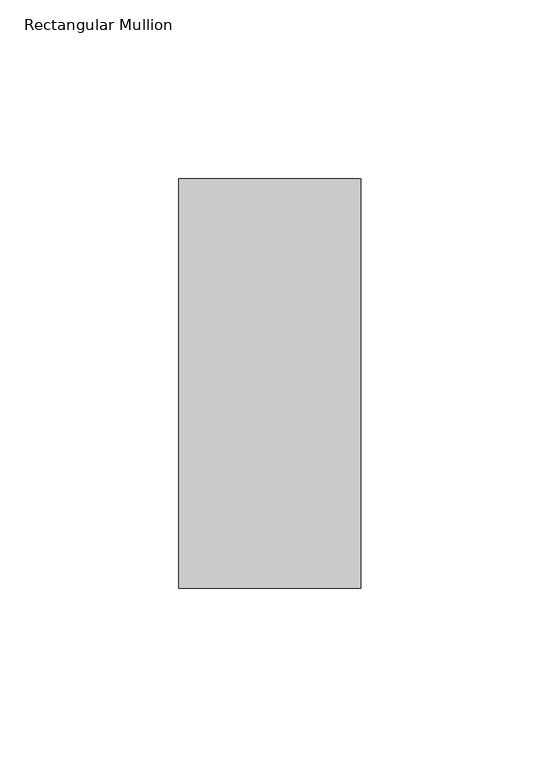
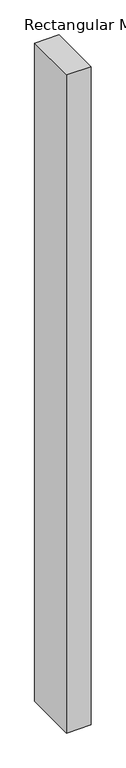
"""IFC4 building model written with IfcOpenShell, lengths in millimetres: member geometry, Rectangular Mullion."""

import ifcopenshell
import ifcopenshell.guid

model = None  # the IFC model being written
_history = None  # IfcOwnerHistory: only IFC2X3 demands one
_inside = {}  # id of a spatial element -> (the spatial element, [elements in it])
_under = {}  # id of a project, library or spatial element -> (it, [spatial elements below it])
_declared = {}  # id of a project -> (the project, [libraries it declares])
_typed = {}  # id of a type object -> (the type object, [elements of that type])
_made_of = {}  # id of a material, layer set ... -> (it, [elements and type objects made of it])


def new_model(schema):
    """Start an empty IFC model of exactly this schema.

    Asked for "IFC4X3", IfcOpenShell would pick the latest addendum, in which some entities
    have other attributes; the version numbers below select the first issue.
    IFC2X3 requires an IfcOwnerHistory on every rooted entity: one is made here for all.
    """
    global model, _history
    if schema == "IFC4X3":
        model = ifcopenshell.file(schema_version=(4, 3, 0, 0))
    else:
        model = ifcopenshell.file(schema=schema)
    _inside.clear()
    _under.clear()
    _declared.clear()
    _typed.clear()
    _made_of.clear()
    _history = None
    if model.schema == "IFC2X3":
        org = make("IfcOrganization", Name="unknown")
        user = make(
            "IfcPersonAndOrganization",
            ThePerson=make("IfcPerson", FamilyName="unknown"),
            TheOrganization=org,
        )
        app = make(
            "IfcApplication",
            ApplicationDeveloper=org,
            Version="unknown",
            ApplicationFullName="unknown",
            ApplicationIdentifier="unknown",
        )
        _history = make(
            "IfcOwnerHistory",
            OwningUser=user,
            OwningApplication=app,
            ChangeAction="ADDED",
            CreationDate=0,
        )
    return model


def make(cls, **values):
    """One entity of the class cls with the attributes given. An attribute that is None is left unset."""
    return model.create_entity(
        cls, **{name: value for name, value in values.items() if value is not None}
    )


def rooted(cls, **values):
    """An entity with a GlobalId (a new one), such as an element, a storey or a relation."""
    return make(cls, GlobalId=ifcopenshell.guid.new(), OwnerHistory=_history, **values)


def si_unit(unit_type, name, prefix=None):
    """IfcSIUnit, for example si_unit("LENGTHUNIT", "METRE", prefix="MILLI")."""
    return make("IfcSIUnit", UnitType=unit_type, Prefix=prefix, Name=name)


def assignment(units):
    """IfcUnitAssignment: the units of a project."""
    return None if units is None else make("IfcUnitAssignment", Units=units)


def point(xyz):
    """IfcCartesianPoint."""
    return None if xyz is None else make("IfcCartesianPoint", Coordinates=xyz)


def direction(xyz):
    """IfcDirection."""
    return None if xyz is None else make("IfcDirection", DirectionRatios=xyz)


def frame(location, z_axis=None, x_axis=None):
    """IfcAxis2Placement3D, a coordinate frame: its origin and axes. An axis left out is left unset."""
    return make(
        "IfcAxis2Placement3D",
        Location=point(location),
        Axis=direction(z_axis),
        RefDirection=direction(x_axis),
    )


def origin():
    """The frame at (0, 0, 0) with its axes left unset."""
    return frame((0.0, 0.0, 0.0))


def place(relative_to, where):
    """IfcLocalPlacement: puts the frame where relative to a parent placement (None: the world)."""
    return make(
        "IfcLocalPlacement", PlacementRelTo=relative_to, RelativePlacement=where
    )


def context(
    kind, dimensions, precision=None, world=None, true_north=None, identifier=None
):
    """IfcGeometricRepresentationContext, for example the 3D "Model" context."""
    return make(
        "IfcGeometricRepresentationContext",
        ContextIdentifier=identifier,
        ContextType=kind,
        CoordinateSpaceDimension=dimensions,
        Precision=precision,
        WorldCoordinateSystem=world,
        TrueNorth=true_north,
    )


def project(units=None, contexts=None):
    """IfcProject with its units and contexts."""
    return rooted(
        "IfcProject",
        Name="project",
        RepresentationContexts=contexts,
        UnitsInContext=assignment(units),
    )


def spatial(cls, under=None, at=None, **own):
    """A site, building, storey or space (cls), placed at a placement, below another one or the project."""
    s = rooted(cls, ObjectPlacement=at, **own)
    if under is not None:
        _under.setdefault(under.id(), (under, []))[1].append(s)
    return s


def polyline(points):
    """IfcPolyline through the points."""
    return make("IfcPolyline", Points=[point(p) for p in points])


def outline(outer, holes=None, kind="AREA"):
    """IfcArbitraryClosedProfileDef: a profile drawn as a closed curve; with holes, ...WithVoids."""
    if holes is None:
        return make("IfcArbitraryClosedProfileDef", ProfileType=kind, OuterCurve=outer)
    return make(
        "IfcArbitraryProfileDefWithVoids",
        ProfileType=kind,
        OuterCurve=outer,
        InnerCurves=holes,
    )


def extrude(swept, where, along, depth):
    """IfcExtrudedAreaSolid: the profile swept, set in the frame where, extruded along a direction by depth."""
    return make(
        "IfcExtrudedAreaSolid",
        SweptArea=swept,
        Position=where,
        ExtrudedDirection=direction(along),
        Depth=depth,
    )


def shape(context_of_items, identifier, shape_type, items):
    """IfcShapeRepresentation: the items that make up one representation, for example the "Body"."""
    return make(
        "IfcShapeRepresentation",
        ContextOfItems=context_of_items,
        RepresentationIdentifier=identifier,
        RepresentationType=shape_type,
        Items=items,
    )


def source(mapping_origin, context_of_items, identifier, shape_type, items):
    """IfcRepresentationMap: a shape defined once, which mapped items show again and again."""
    return make(
        "IfcRepresentationMap",
        MappingOrigin=mapping_origin,
        MappedRepresentation=shape(context_of_items, identifier, shape_type, items),
    )


def transform(
    local_origin,
    x_axis=None,
    y_axis=None,
    z_axis=None,
    scale=None,
    scale2=None,
    scale3=None,
    uniform=True,
):
    """IfcCartesianTransformationOperator3D, or its non-uniform kind. x_axis, y_axis, z_axis: its Axis1, 2, 3."""
    if uniform:
        return make(
            "IfcCartesianTransformationOperator3D",
            Axis1=direction(x_axis),
            Axis2=direction(y_axis),
            LocalOrigin=point(local_origin),
            Scale=scale,
            Axis3=direction(z_axis),
        )
    return make(
        "IfcCartesianTransformationOperator3DnonUniform",
        Axis1=direction(x_axis),
        Axis2=direction(y_axis),
        LocalOrigin=point(local_origin),
        Scale=scale,
        Axis3=direction(z_axis),
        Scale2=scale2,
        Scale3=scale3,
    )


def mapped(mapping_source, mapping_target):
    """IfcMappedItem: shows the shape of a source again, moved by a transform."""
    return make(
        "IfcMappedItem", MappingSource=mapping_source, MappingTarget=mapping_target
    )


def made_of(thing, what):
    """Note that an element or type object is made of a material, layer set ...; save() writes the relation."""
    if what is not None:
        _made_of.setdefault(what.id(), (what, []))[1].append(thing)
    return thing


def element(
    cls,
    number,
    at=None,
    inside=None,
    cuts=None,
    type_object=None,
    material=None,
    context=None,
    identifier="Body",
    shape_type=None,
    held_by="IfcProductDefinitionShape",
    body=None,
    shapes=None,
    **own,
):
    """One element of the class cls, such as IfcWall. Its Tag is "e" and its number.

    at: its placement. inside: the storey or other place that contains it. cuts: it is an
    opening in that element (IfcRelVoidsElement). A single representation is given by context,
    identifier, shape_type and body (its items); several are given by shapes. held_by: the class
    of the entity that holds the representations. save() writes the other relations.
    """
    e = rooted(cls, Tag="e%d" % number, ObjectPlacement=at, **own)
    if body is not None:
        shapes = [shape(context, identifier, shape_type, body)]
    if shapes is not None:
        e.Representation = make(held_by, Representations=shapes)
    if inside is not None:
        _inside.setdefault(inside.id(), (inside, []))[1].append(e)
    if cuts is not None:
        rooted(
            "IfcRelVoidsElement", RelatingBuildingElement=cuts, RelatedOpeningElement=e
        )
    if type_object is not None:
        _typed.setdefault(type_object.id(), (type_object, []))[1].append(e)
    return made_of(e, material)


def aggregate(whole, parts):
    """IfcRelAggregates: a whole, such as a stair, and the parts it consists of."""
    return rooted("IfcRelAggregates", RelatingObject=whole, RelatedObjects=parts)


def save(model, path):
    """Write the relations noted so far, then the file.

    IfcRelAggregates (storeys below a building ...), IfcRelContainedInSpatialStructure (elements
    in a storey), IfcRelDefinesByType, IfcRelAssociatesMaterial and IfcRelDeclares: one each for
    every whole, place, type object, material and project.
    """
    for whole, parts in _under.values():
        aggregate(whole, parts)
    for where, things in _inside.values():
        rooted(
            "IfcRelContainedInSpatialStructure",
            RelatedElements=things,
            RelatingStructure=where,
        )
    for kind, things in _typed.values():
        rooted("IfcRelDefinesByType", RelatedObjects=things, RelatingType=kind)
    for what, things in _made_of.values():
        rooted("IfcRelAssociatesMaterial", RelatedObjects=things, RelatingMaterial=what)
    for by, libraries in _declared.values():
        rooted("IfcRelDeclares", RelatingContext=by, RelatedDefinitions=libraries)
    model.write(path)


def rectangular_mullion_adbf91b8(model_context):
    return source(origin(), model_context, "Body", "SweptSolid", [
        extrude(outline(polyline([(25.4, 57.15), (25.4, -57.15), (-25.4, -57.15), (-25.4, 57.15), (25.4, 57.15)])), frame((0.0, 0.0, -1439.8625), z_axis=(0.0, 0.0, 1.0), x_axis=(1.0, 0.0, 0.0)), (0.0, 0.0, 1.0), 1439.8625),
    ])


if __name__ == "__main__":
    model = new_model("IFC4")
    model_context = context("Model", 3, world=origin())
    ifc_project = project(units=[si_unit("LENGTHUNIT", "METRE", prefix="MILLI")], contexts=[model_context])
    site = spatial("IfcSite", under=ifc_project)
    building = spatial("IfcBuilding", under=site)
    placement = place(None, origin())
    rectangular_mullion_shape = rectangular_mullion_adbf91b8(model_context)
    element("IfcMember", 1, ObjectType="Rectangular Mullion", at=placement, inside=building, context=model_context, shape_type="MappedRepresentation", body=[
        mapped(rectangular_mullion_shape, transform((0.0, 0.0, 0.0), x_axis=(1.0, 0.0, 0.0), y_axis=(0.0, 1.0, 0.0), z_axis=(0.0, 0.0, 1.0))),
    ])
    save(model, "model.ifc")
